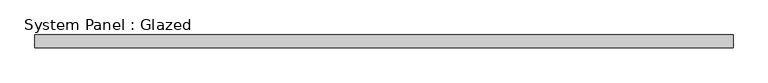
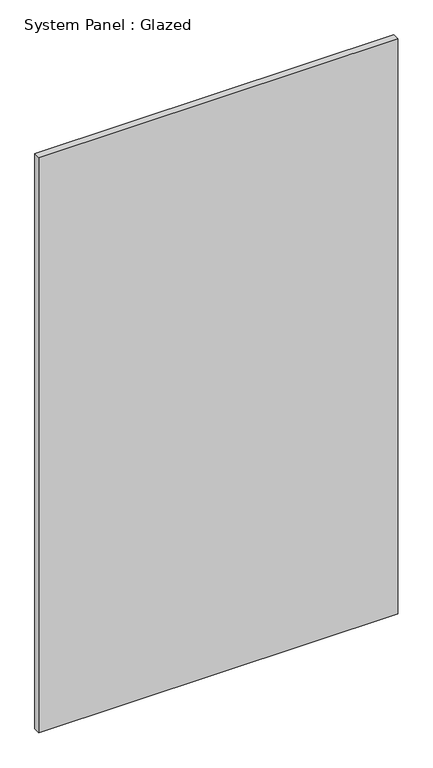
"""IFC4 building model written with IfcOpenShell, lengths in millimetres: plate geometry, System Panel : Glazed."""

from ifc_helpers import new_model, si_unit, origin, origin_with_axes, place, context, project, spatial, polyline, outline, extrude, source, transform, mapped, element, save


def system_panel_glazed_168f2d60(model_context):
    return source(origin(), model_context, "Body", "SweptSolid", [
        extrude(outline(polyline([(700.6166666, 19.05), (-700.6166666, 19.05), (-700.6166666, 44.45), (700.6166666, 44.45), (700.6166666, 19.05)])), origin_with_axes(), (0.0, 0.0, 1.0), 2374.9),
    ])


if __name__ == "__main__":
    model = new_model("IFC4")
    model_context = context("Model", 3, world=origin())
    ifc_project = project(units=[si_unit("LENGTHUNIT", "METRE", prefix="MILLI")], contexts=[model_context])
    site = spatial("IfcSite", under=ifc_project)
    building = spatial("IfcBuilding", under=site)
    placement = place(None, origin())
    system_panel_glazed_shape = system_panel_glazed_168f2d60(model_context)
    element("IfcPlate", 1, ObjectType="System Panel : Glazed", at=placement, inside=building, context=model_context, shape_type="MappedRepresentation", body=[
        mapped(system_panel_glazed_shape, transform((0.0, 0.0, 0.0), x_axis=(1.0, 0.0, 0.0), y_axis=(0.0, 1.0, 0.0), z_axis=(0.0, 0.0, 1.0))),
    ])
    save(model, "model.ifc")
